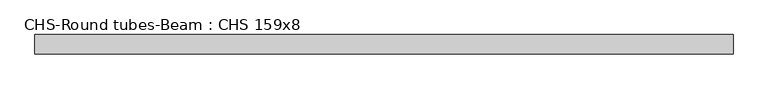
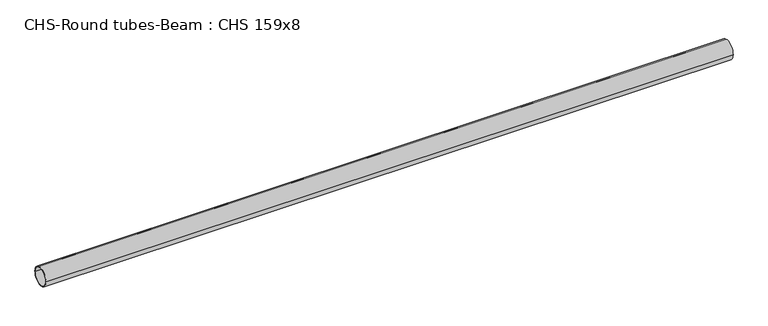
"""IFC4 building model written with IfcOpenShell, lengths in millimetres: beam geometry, CHS-Round tubes-Beam : CHS 159x8."""

from ifc_helpers import new_model, si_unit, point, frame, origin, origin_2d, place, context, project, spatial, circle_curve, trimmed, segment, composite_curve, outline, extrude, source, transform, mapped, element, save


def chs_round_tubes_beam_chs_159x8_3f51173c(model_context):
    return source(origin(), model_context, "Body", "SweptSolid", [
        extrude(outline(composite_curve([segment(trimmed(circle_curve(origin_2d(), 79.5), [point((79.5, 0.0))], [point((-79.5, 0.0))], False, "CARTESIAN"), True, "CONTINUOUS"), segment(trimmed(circle_curve(origin_2d(), 79.5), [point((-79.5, 0.0))], [point((79.5, 0.0))], False, "CARTESIAN"), True, "CONTINUOUS")], self_intersect=False), holes=[composite_curve([segment(trimmed(circle_curve(origin_2d(), 71.5), [point((71.5, 0.0))], [point((-71.5, 0.0))], True, "CARTESIAN"), True, "CONTINUOUS"), segment(trimmed(circle_curve(origin_2d(), 71.5), [point((-71.5, 0.0))], [point((71.5, 0.0))], True, "CARTESIAN"), True, "CONTINUOUS")], self_intersect=False)]), frame((-2805.2554479, 0.0, 0.0), z_axis=(1.0, 0.0, 0.0), x_axis=(0.0, 1.0, 0.0)), (0.0, 0.0, 1.0), 5746.5161991),
    ])


if __name__ == "__main__":
    model = new_model("IFC4")
    model_context = context("Model", 3, world=origin())
    ifc_project = project(units=[si_unit("LENGTHUNIT", "METRE", prefix="MILLI")], contexts=[model_context])
    site = spatial("IfcSite", under=ifc_project)
    building = spatial("IfcBuilding", under=site)
    placement = place(None, origin())
    chs_round_tubes_beam_chs_159x8_shape = chs_round_tubes_beam_chs_159x8_3f51173c(model_context)
    element("IfcBeam", 1, ObjectType="CHS-Round tubes-Beam : CHS 159x8", at=placement, inside=building, context=model_context, shape_type="MappedRepresentation", body=[
        mapped(chs_round_tubes_beam_chs_159x8_shape, transform((0.0, 0.0, 0.0), x_axis=(1.0, 0.0, 0.0), y_axis=(0.0, 1.0, 0.0), z_axis=(0.0, 0.0, 1.0))),
    ])
    save(model, "model.ifc")
